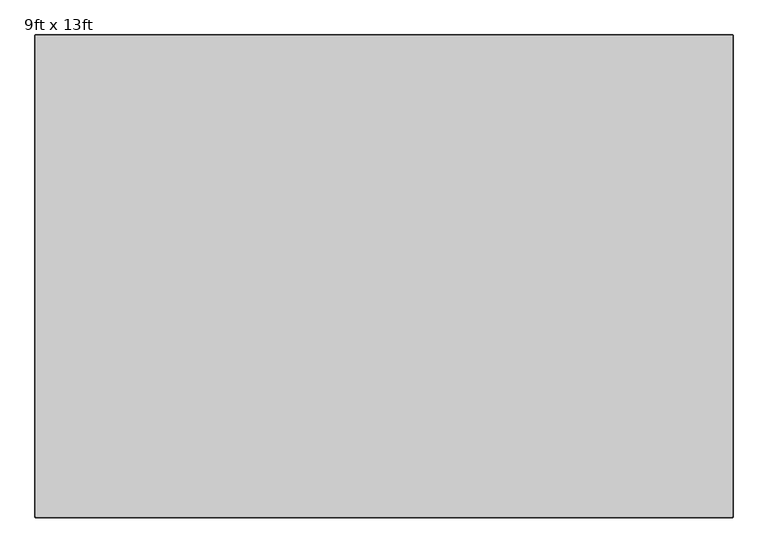
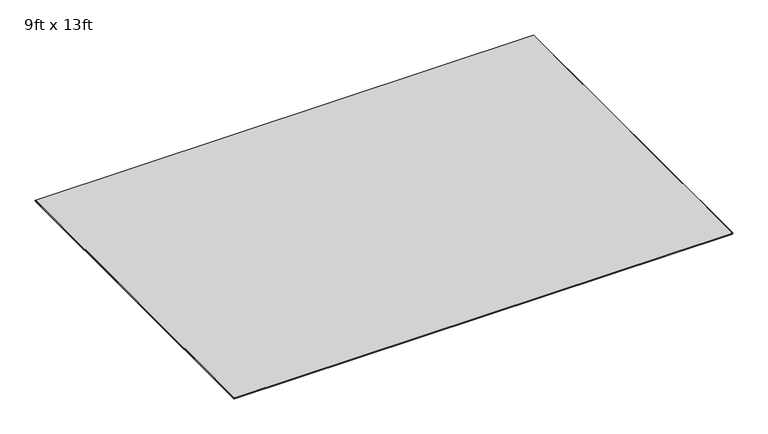
"""IFC4 building model written with IfcOpenShell, lengths in millimetres: furniture geometry, 9ft x 13ft."""

import ifcopenshell
import ifcopenshell.guid

model = None  # the IFC model being written
_history = None  # IfcOwnerHistory: only IFC2X3 demands one
_inside = {}  # id of a spatial element -> (the spatial element, [elements in it])
_under = {}  # id of a project, library or spatial element -> (it, [spatial elements below it])
_declared = {}  # id of a project -> (the project, [libraries it declares])
_typed = {}  # id of a type object -> (the type object, [elements of that type])
_made_of = {}  # id of a material, layer set ... -> (it, [elements and type objects made of it])


def new_model(schema):
    """Start an empty IFC model of exactly this schema.

    Asked for "IFC4X3", IfcOpenShell would pick the latest addendum, in which some entities
    have other attributes; the version numbers below select the first issue.
    IFC2X3 requires an IfcOwnerHistory on every rooted entity: one is made here for all.
    """
    global model, _history
    if schema == "IFC4X3":
        model = ifcopenshell.file(schema_version=(4, 3, 0, 0))
    else:
        model = ifcopenshell.file(schema=schema)
    _inside.clear()
    _under.clear()
    _declared.clear()
    _typed.clear()
    _made_of.clear()
    _history = None
    if model.schema == "IFC2X3":
        org = make("IfcOrganization", Name="unknown")
        user = make(
            "IfcPersonAndOrganization",
            ThePerson=make("IfcPerson", FamilyName="unknown"),
            TheOrganization=org,
        )
        app = make(
            "IfcApplication",
            ApplicationDeveloper=org,
            Version="unknown",
            ApplicationFullName="unknown",
            ApplicationIdentifier="unknown",
        )
        _history = make(
            "IfcOwnerHistory",
            OwningUser=user,
            OwningApplication=app,
            ChangeAction="ADDED",
            CreationDate=0,
        )
    return model


def make(cls, **values):
    """One entity of the class cls with the attributes given. An attribute that is None is left unset."""
    return model.create_entity(
        cls, **{name: value for name, value in values.items() if value is not None}
    )


def rooted(cls, **values):
    """An entity with a GlobalId (a new one), such as an element, a storey or a relation."""
    return make(cls, GlobalId=ifcopenshell.guid.new(), OwnerHistory=_history, **values)


def si_unit(unit_type, name, prefix=None):
    """IfcSIUnit, for example si_unit("LENGTHUNIT", "METRE", prefix="MILLI")."""
    return make("IfcSIUnit", UnitType=unit_type, Prefix=prefix, Name=name)


def assignment(units):
    """IfcUnitAssignment: the units of a project."""
    return None if units is None else make("IfcUnitAssignment", Units=units)


def point(xyz):
    """IfcCartesianPoint."""
    return None if xyz is None else make("IfcCartesianPoint", Coordinates=xyz)


def direction(xyz):
    """IfcDirection."""
    return None if xyz is None else make("IfcDirection", DirectionRatios=xyz)


def frame(location, z_axis=None, x_axis=None):
    """IfcAxis2Placement3D, a coordinate frame: its origin and axes. An axis left out is left unset."""
    return make(
        "IfcAxis2Placement3D",
        Location=point(location),
        Axis=direction(z_axis),
        RefDirection=direction(x_axis),
    )


def origin():
    """The frame at (0, 0, 0) with its axes left unset."""
    return frame((0.0, 0.0, 0.0))


def place(relative_to, where):
    """IfcLocalPlacement: puts the frame where relative to a parent placement (None: the world)."""
    return make(
        "IfcLocalPlacement", PlacementRelTo=relative_to, RelativePlacement=where
    )


def context(
    kind, dimensions, precision=None, world=None, true_north=None, identifier=None
):
    """IfcGeometricRepresentationContext, for example the 3D "Model" context."""
    return make(
        "IfcGeometricRepresentationContext",
        ContextIdentifier=identifier,
        ContextType=kind,
        CoordinateSpaceDimension=dimensions,
        Precision=precision,
        WorldCoordinateSystem=world,
        TrueNorth=true_north,
    )


def project(units=None, contexts=None):
    """IfcProject with its units and contexts."""
    return rooted(
        "IfcProject",
        Name="project",
        RepresentationContexts=contexts,
        UnitsInContext=assignment(units),
    )


def spatial(cls, under=None, at=None, **own):
    """A site, building, storey or space (cls), placed at a placement, below another one or the project."""
    s = rooted(cls, ObjectPlacement=at, **own)
    if under is not None:
        _under.setdefault(under.id(), (under, []))[1].append(s)
    return s


def polyline(points):
    """IfcPolyline through the points."""
    return make("IfcPolyline", Points=[point(p) for p in points])


def circle_curve(where, radius):
    """IfcCircle in the frame where."""
    return make("IfcCircle", Position=where, Radius=radius)


def shape(context_of_items, identifier, shape_type, items):
    """IfcShapeRepresentation: the items that make up one representation, for example the "Body"."""
    return make(
        "IfcShapeRepresentation",
        ContextOfItems=context_of_items,
        RepresentationIdentifier=identifier,
        RepresentationType=shape_type,
        Items=items,
    )


def source(mapping_origin, context_of_items, identifier, shape_type, items):
    """IfcRepresentationMap: a shape defined once, which mapped items show again and again."""
    return make(
        "IfcRepresentationMap",
        MappingOrigin=mapping_origin,
        MappedRepresentation=shape(context_of_items, identifier, shape_type, items),
    )


def transform(
    local_origin,
    x_axis=None,
    y_axis=None,
    z_axis=None,
    scale=None,
    scale2=None,
    scale3=None,
    uniform=True,
):
    """IfcCartesianTransformationOperator3D, or its non-uniform kind. x_axis, y_axis, z_axis: its Axis1, 2, 3."""
    if uniform:
        return make(
            "IfcCartesianTransformationOperator3D",
            Axis1=direction(x_axis),
            Axis2=direction(y_axis),
            LocalOrigin=point(local_origin),
            Scale=scale,
            Axis3=direction(z_axis),
        )
    return make(
        "IfcCartesianTransformationOperator3DnonUniform",
        Axis1=direction(x_axis),
        Axis2=direction(y_axis),
        LocalOrigin=point(local_origin),
        Scale=scale,
        Axis3=direction(z_axis),
        Scale2=scale2,
        Scale3=scale3,
    )


def mapped(mapping_source, mapping_target):
    """IfcMappedItem: shows the shape of a source again, moved by a transform."""
    return make(
        "IfcMappedItem", MappingSource=mapping_source, MappingTarget=mapping_target
    )


def made_of(thing, what):
    """Note that an element or type object is made of a material, layer set ...; save() writes the relation."""
    if what is not None:
        _made_of.setdefault(what.id(), (what, []))[1].append(thing)
    return thing


def element(
    cls,
    number,
    at=None,
    inside=None,
    cuts=None,
    type_object=None,
    material=None,
    context=None,
    identifier="Body",
    shape_type=None,
    held_by="IfcProductDefinitionShape",
    body=None,
    shapes=None,
    **own,
):
    """One element of the class cls, such as IfcWall. Its Tag is "e" and its number.

    at: its placement. inside: the storey or other place that contains it. cuts: it is an
    opening in that element (IfcRelVoidsElement). A single representation is given by context,
    identifier, shape_type and body (its items); several are given by shapes. held_by: the class
    of the entity that holds the representations. save() writes the other relations.
    """
    e = rooted(cls, Tag="e%d" % number, ObjectPlacement=at, **own)
    if body is not None:
        shapes = [shape(context, identifier, shape_type, body)]
    if shapes is not None:
        e.Representation = make(held_by, Representations=shapes)
    if inside is not None:
        _inside.setdefault(inside.id(), (inside, []))[1].append(e)
    if cuts is not None:
        rooted(
            "IfcRelVoidsElement", RelatingBuildingElement=cuts, RelatedOpeningElement=e
        )
    if type_object is not None:
        _typed.setdefault(type_object.id(), (type_object, []))[1].append(e)
    return made_of(e, material)


def aggregate(whole, parts):
    """IfcRelAggregates: a whole, such as a stair, and the parts it consists of."""
    return rooted("IfcRelAggregates", RelatingObject=whole, RelatedObjects=parts)


def save(model, path):
    """Write the relations noted so far, then the file.

    IfcRelAggregates (storeys below a building ...), IfcRelContainedInSpatialStructure (elements
    in a storey), IfcRelDefinesByType, IfcRelAssociatesMaterial and IfcRelDeclares: one each for
    every whole, place, type object, material and project.
    """
    for whole, parts in _under.values():
        aggregate(whole, parts)
    for where, things in _inside.values():
        rooted(
            "IfcRelContainedInSpatialStructure",
            RelatedElements=things,
            RelatingStructure=where,
        )
    for kind, things in _typed.values():
        rooted("IfcRelDefinesByType", RelatedObjects=things, RelatingType=kind)
    for what, things in _made_of.values():
        rooted("IfcRelAssociatesMaterial", RelatedObjects=things, RelatingMaterial=what)
    for by, libraries in _declared.values():
        rooted("IfcRelDeclares", RelatingContext=by, RelatedDefinitions=libraries)
    model.write(path)


def plane_surface(at):
    """IfcPlane: the flat surface through the origin of the frame at, square to its z axis."""
    return make("IfcPlane", Position=at)


def cylinder_surface(at, radius):
    """IfcCylindricalSurface: all points at the distance radius from the z axis of the frame at."""
    return make("IfcCylindricalSurface", Position=at, Radius=radius)


def revolved_surface(curve, axis_point, axis_direction):
    """IfcSurfaceOfRevolution: the curve turned about the line through axis_point along axis_direction."""
    return make(
        "IfcSurfaceOfRevolution",
        SweptCurve=make("IfcArbitraryOpenProfileDef", ProfileType="CURVE", Curve=curve),
        AxisPosition=make("IfcAxis1Placement", Location=point(axis_point), Axis=direction(axis_direction)),
    )


def advanced_brep(points, edges, surfaces, faces):
    """IfcAdvancedBrep: a solid bounded by faces that lie on surfaces and meet in shared edges.

    An edge is (start, end): straight between two places in points (the first is 0);
    or (start, end, curve); or (start, end, curve, False) where it runs against its curve.
    A face is (place in surfaces, loops), or (place, loops, False) where it looks against
    its surface's normal. A loop lists edges by number (the first is 1), with a minus sign
    where the edge is run from its end to its start. The first loop is the outer one.
    """
    corners = [point(p) for p in points]
    vertices = [make("IfcVertexPoint", VertexGeometry=c) for c in corners]
    made = []
    for start, end, *more in edges:
        made.append(
            make(
                "IfcEdgeCurve",
                EdgeStart=vertices[start],
                EdgeEnd=vertices[end],
                EdgeGeometry=more[0] if more else make("IfcPolyline", Points=[corners[start], corners[end]]),
                SameSense=more[1] if len(more) > 1 else True,
            )
        )
    hull = []
    for where, loops, *sense in faces:
        bounds = []
        for j, loop in enumerate(loops):
            ring = [make("IfcOrientedEdge", EdgeElement=made[abs(k) - 1], Orientation=k > 0) for k in loop]
            bounds.append(
                make(
                    "IfcFaceOuterBound" if j == 0 else "IfcFaceBound",
                    Bound=make("IfcEdgeLoop", EdgeList=ring),
                    Orientation=True,
                )
            )
        hull.append(make("IfcAdvancedFace", Bounds=bounds, FaceSurface=surfaces[where], SameSense=sense[0] if sense else True))
    return make("IfcAdvancedBrep", Outer=make("IfcClosedShell", CfsFaces=hull))


def furniture_9ft_x_13ft_89a116fc(model_context):
    return source(origin(), model_context, "Body", "AdvancedBrep", [
        advanced_brep(
        [(-658.8809829, 798.9249977, 6.9850002), (-661.4265124, 796.3794681, 6.9850002), (-661.4265124, -1936.6550023, 6.9850002), (-658.8865124, -1939.1950023, 6.9850002), (3293.3533713, -1939.1950023, 6.9850002), (3295.8933713, -1936.6550023, 6.9850002), (3295.8933713, 796.3849977, 6.9850002), (3293.3533713, 798.9249977, 6.9850002), (-663.9665124, 796.3794681, 0.0), (-658.8809829, 801.4649977, 0.0), (3293.3533713, 801.4649977, 0.0), (3298.4333713, 796.3849977, 0.0), (3298.4333713, -1936.6550023, 0.0), (3293.3533713, -1941.7350023, 0.0), (-658.8865124, -1941.7350023, 0.0), (-663.9665124, -1936.6550023, 0.0), (-663.9665124, 796.3794681, 4.4450002), (-658.8809829, 801.4649977, 4.4450002), (-663.9665124, -1936.6550023, 4.4450002), (-658.8865124, -1941.7350023, 4.4450002), (3293.3533713, -1941.7350023, 4.4450002), (3298.4333713, -1936.6550023, 4.4450002), (3298.4333713, 796.3849977, 4.4450002), (3293.3533713, 801.4649977, 4.4450002)],
        [
            (0, 1, circle_curve(frame((-658.8809829, 796.3794681, 6.9850002), z_axis=(0.0, 0.0, 1.0), x_axis=(0.0, 1.0, 0.0)), 2.5455296)),
            (1, 2),
            (2, 3, circle_curve(frame((-658.8865124, -1936.6550023, 6.9850002), z_axis=(0.0, 0.0, 1.0), x_axis=(-1.0, 0.0, 0.0)), 2.54)),
            (3, 4),
            (4, 5, circle_curve(frame((3293.3533713, -1936.6550023, 6.9850002), z_axis=(0.0, 0.0, 1.0), x_axis=(0.0, -1.0, 0.0)), 2.54)),
            (5, 6),
            (6, 7, circle_curve(frame((3293.3533713, 796.3849977, 6.9850002), z_axis=(0.0, 0.0, 1.0), x_axis=(1.0, 0.0, 0.0)), 2.54)),
            (7, 0),
            (8, 9, circle_curve(frame((-658.8809829, 796.3794681, 0.0), z_axis=(0.0, 0.0, -1.0), x_axis=(0.0, 1.0, 0.0)), 5.0855296)),
            (9, 10),
            (10, 11, circle_curve(frame((3293.3533713, 796.3849977, 0.0), z_axis=(0.0, 0.0, -1.0), x_axis=(1.0, 0.0, 0.0)), 5.08)),
            (11, 12),
            (12, 13, circle_curve(frame((3293.3533713, -1936.6550023, 0.0), z_axis=(0.0, 0.0, -1.0), x_axis=(0.0, -1.0, 0.0)), 5.08)),
            (13, 14),
            (14, 15, circle_curve(frame((-658.8865124, -1936.6550023, 0.0), z_axis=(0.0, 0.0, -1.0), x_axis=(-1.0, 0.0, 0.0)), 5.08)),
            (15, 8),
            (16, 17, circle_curve(frame((-658.8809829, 796.3794681, 4.4450002), z_axis=(0.0, 0.0, -1.0), x_axis=(0.0, 1.0, 0.0)), 5.0855296)),
            (17, 9),
            (8, 16),
            (16, 1),
            (0, 17),
            (15, 18),
            (18, 16),
            (18, 2),
            (14, 19),
            (19, 18, circle_curve(frame((-658.8865124, -1936.6550023, 4.4450002), z_axis=(0.0, 0.0, -1.0), x_axis=(-1.0, 0.0, 0.0)), 5.08)),
            (19, 3),
            (13, 20),
            (20, 19),
            (20, 4),
            (12, 21),
            (21, 20, circle_curve(frame((3293.3533713, -1936.6550023, 4.4450002), z_axis=(0.0, 0.0, -1.0), x_axis=(0.0, -1.0, 0.0)), 5.08)),
            (21, 5),
            (11, 22),
            (22, 21),
            (22, 6),
            (10, 23),
            (23, 22, circle_curve(frame((3293.3533713, 796.3849977, 4.4450002), z_axis=(0.0, 0.0, -1.0), x_axis=(1.0, 0.0, 0.0)), 5.08)),
            (23, 7),
            (17, 23),
        ],
        [
            plane_surface(frame((-658.8809829, 798.9249977, 6.9850002), z_axis=(0.0, 0.0, 1.0), x_axis=(-1.0, 0.0, 0.0))),
            plane_surface(frame((-658.8809829, 798.9249977, 0.0), z_axis=(0.0, 0.0, -1.0), x_axis=(1.0, 0.0, 0.0))),
            cylinder_surface(frame((-658.8809829, 796.3794681, 0.0), z_axis=(0.0, 0.0, 1.0), x_axis=(0.0, 1.0, 0.0)), 5.0855296),
            revolved_surface(polyline([(-658.8809829, 801.4649977, 4.4450002), (-658.8809829, 798.9249977, 6.9850002)]), (-658.8809829, 796.3794681, 0.0), (0.0, 0.0, 1.0)),
            plane_surface(frame((-663.9665124, 796.3794681, 0.0), z_axis=(-1.0, 0.0, 0.0), x_axis=(0.0, -1.0, 0.0))),
            plane_surface(frame((-663.9665124, 796.3794681, 4.4450002), z_axis=(-0.7071067811865469, 0.0, 0.7071067811865482), x_axis=(0.0, -1.0, 0.0))),
            cylinder_surface(frame((-658.8865124, -1936.6550023, 0.0), z_axis=(0.0, 0.0, 1.0), x_axis=(-1.0, 0.0, 0.0)), 5.08),
            revolved_surface(polyline([(-663.9665124, -1936.6550023, 4.4450002), (-661.4265124, -1936.6550023, 6.9850002)]), (-658.8865124, -1936.6550023, 0.0), (0.0, 0.0, 1.0)),
            plane_surface(frame((-658.8865124, -1941.7350023, 0.0), z_axis=(0.0, -1.0, 0.0), x_axis=(1.0, 0.0, 0.0))),
            plane_surface(frame((-658.8865124, -1941.7350023, 4.4450002), z_axis=(0.0, -0.7071067811865469, 0.7071067811865482), x_axis=(1.0, 0.0, 0.0))),
            cylinder_surface(frame((3293.3533713, -1936.6550023, 0.0), z_axis=(0.0, 0.0, 1.0), x_axis=(0.0, -1.0, 0.0)), 5.08),
            revolved_surface(polyline([(3293.3533713, -1941.7350023, 4.4450002), (3293.3533713, -1939.1950023, 6.9850002)]), (3293.3533713, -1936.6550023, 0.0), (0.0, 0.0, 1.0)),
            plane_surface(frame((3298.4333713, -1936.6550023, 0.0), z_axis=(1.0, 0.0, 0.0), x_axis=(0.0, 1.0, 0.0))),
            plane_surface(frame((3298.4333713, -1936.6550023, 4.4450002), z_axis=(0.7071067811865469, 0.0, 0.7071067811865482), x_axis=(0.0, 1.0, 0.0))),
            cylinder_surface(frame((3293.3533713, 796.3849977, 0.0), z_axis=(0.0, 0.0, 1.0), x_axis=(1.0, 0.0, 0.0)), 5.08),
            revolved_surface(polyline([(3298.4333713, 796.3849977, 4.4450002), (3295.8933713, 796.3849977, 6.9850002)]), (3293.3533713, 796.3849977, 0.0), (0.0, 0.0, 1.0)),
            plane_surface(frame((3293.3533713, 801.4649977, 0.0), z_axis=(0.0, 1.0, 0.0), x_axis=(-1.0, 0.0, 0.0))),
            plane_surface(frame((3293.3533713, 801.4649977, 4.4450002), z_axis=(0.0, 0.7071067811865469, 0.7071067811865482), x_axis=(-1.0, 0.0, 0.0))),
        ],
        [
            (0, [[1, 2, 3, 4, 5, 6, 7, 8]]),
            (1, [[9, 10, 11, 12, 13, 14, 15, 16]]),
            (2, [[17, 18, -9, 19]]),
            (3, [[-17, 20, -1, 21]]),
            (4, [[-19, -16, 22, 23]]),
            (5, [[-20, -23, 24, -2]]),
            (6, [[-22, -15, 25, 26]]),
            (7, [[-24, -26, 27, -3]]),
            (8, [[-25, -14, 28, 29]]),
            (9, [[-27, -29, 30, -4]]),
            (10, [[-28, -13, 31, 32]]),
            (11, [[-30, -32, 33, -5]]),
            (12, [[-31, -12, 34, 35]]),
            (13, [[-33, -35, 36, -6]]),
            (14, [[-34, -11, 37, 38]]),
            (15, [[-36, -38, 39, -7]]),
            (16, [[-18, 40, -37, -10]]),
            (17, [[-21, -8, -39, -40]]),
        ],
    ),
    ])


if __name__ == "__main__":
    model = new_model("IFC4")
    model_context = context("Model", 3, world=origin())
    ifc_project = project(units=[si_unit("LENGTHUNIT", "METRE", prefix="MILLI")], contexts=[model_context])
    site = spatial("IfcSite", under=ifc_project)
    building = spatial("IfcBuilding", under=site)
    placement = place(None, origin())
    furniture_9ft_x_13ft_shape = furniture_9ft_x_13ft_89a116fc(model_context)
    element("IfcFurniture", 1, ObjectType="9ft x 13ft", at=placement, inside=building, context=model_context, shape_type="MappedRepresentation", body=[
        mapped(furniture_9ft_x_13ft_shape, transform((0.0, 0.0, 0.0), x_axis=(1.0, 0.0, 0.0), y_axis=(0.0, 1.0, 0.0), z_axis=(0.0, 0.0, 1.0))),
    ])
    save(model, "model.ifc")
